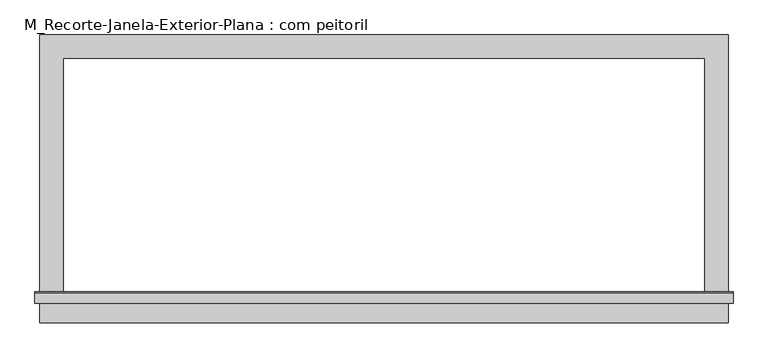
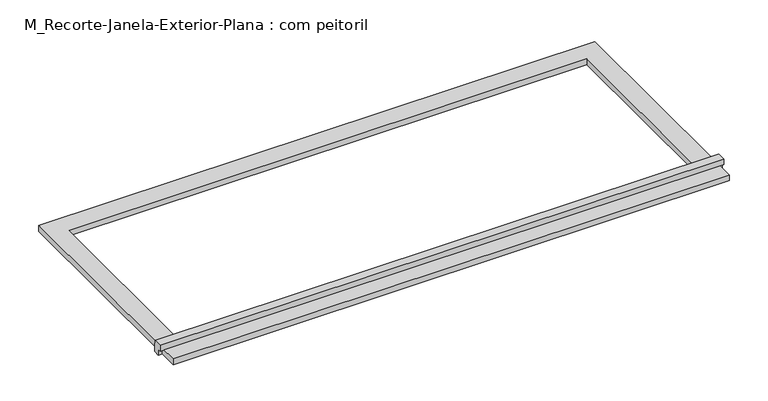
"""IFC4 building model written with IfcOpenShell, lengths in millimetres: proxy geometry, M_Recorte-Janela-Exterior-Plana : com peitoril."""

from ifc_helpers import new_model, si_unit, frame, origin, origin_with_axes, place, context, project, spatial, polyline, outline, extrude, source, transform, mapped, element, save


def m_recorte_janela_exterior_plana_com_peitoril_8ffbf0f6(model_context):
    return source(origin(), model_context, "Body", "SweptSolid", [
        extrude(outline(polyline([(885.0, -620.4323709), (885.0, -680.4323709), (-885.0, -680.4323709), (-885.0, -620.4323709), (885.0, -620.4323709)])), origin_with_axes(), (0.0, 0.0, 1.0), 19.05),
        extrude(outline(polyline([(-630.0, 38.1), (-602.4580645, 38.1), (-600.0, 19.05), (-600.0, 0.0), (-620.4323709, 0.0), (-620.4323709, 19.05), (-630.0, 19.05), (-630.0, 38.1)])), frame((-897.7, 0.0, 0.0), z_axis=(1.0, 0.0, 0.0), x_axis=(0.0, 1.0, 0.0)), (0.0, 0.0, 1.0), 1795.4),
        extrude(outline(polyline([(-885.0, 60.0), (885.0, 60.0), (885.0, -600.0), (825.0, -600.0), (825.0, 0.0), (-825.0, 0.0), (-825.0, -600.0), (-885.0, -600.0), (-885.0, 60.0)])), origin_with_axes(), (0.0, 0.0, 1.0), 19.05),
    ])


if __name__ == "__main__":
    model = new_model("IFC4")
    model_context = context("Model", 3, world=origin())
    ifc_project = project(units=[si_unit("LENGTHUNIT", "METRE", prefix="MILLI")], contexts=[model_context])
    site = spatial("IfcSite", under=ifc_project)
    building = spatial("IfcBuilding", under=site)
    placement = place(None, origin())
    m_recorte_janela_exterior_plana_com_peitoril_shape = m_recorte_janela_exterior_plana_com_peitoril_8ffbf0f6(model_context)
    element("IfcBuildingElementProxy", 1, Name="M_Recorte-Janela-Exterior-Plana : com peitoril", ObjectType="M_Recorte-Janela-Exterior-Plana : com peitoril", at=placement, inside=building, context=model_context, shape_type="MappedRepresentation", body=[
        mapped(m_recorte_janela_exterior_plana_com_peitoril_shape, transform((0.0, 0.0, 0.0), x_axis=(1.0, 0.0, 0.0), y_axis=(0.0, 1.0, 0.0), z_axis=(0.0, 0.0, 1.0))),
    ])
    save(model, "model.ifc")
